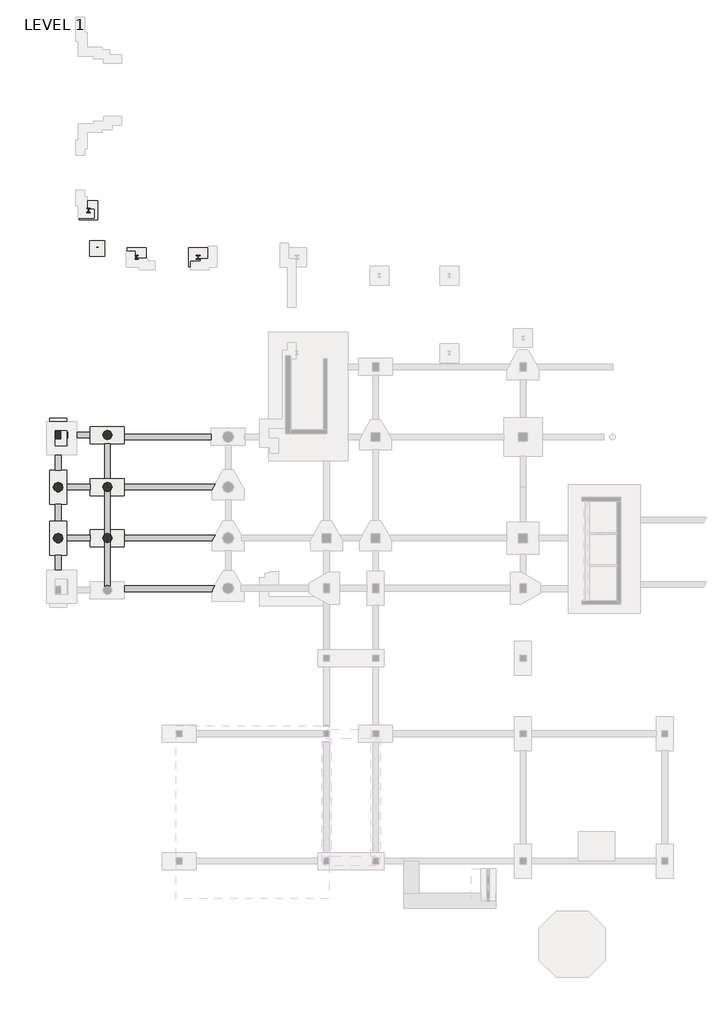
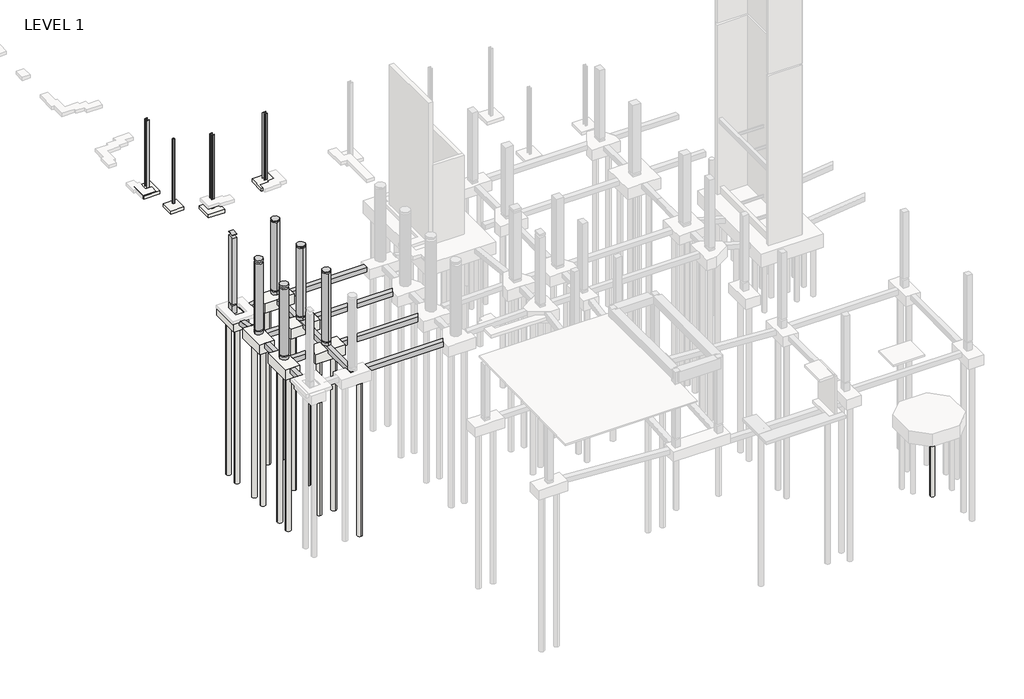
# One storey, part 4 of 20: 24 slabs, 13 beams, 10 columns.
"""IFC4 building model written with IfcOpenShell, lengths in millimetres."""

from ifc_helpers import new_model, si_unit, point, frame, frame_2d, origin, origin_with_axes, place, context, project, spatial, polyline, circle_curve, trimmed, segment, composite_curve, outline, extrude, faceted_brep, element, save

model = new_model("IFC4")

# Units and contexts
model_context = context("Model", 3, world=origin())
ifc_project = project(units=[si_unit("LENGTHUNIT", "METRE", prefix="MILLI")], contexts=[model_context])

# Site, building, storey
site = spatial("IfcSite", under=ifc_project)
building = spatial("IfcBuilding", under=site)
storey = spatial("IfcBuildingStorey", under=building, Name="LEVEL 1", Elevation=0.0)

# Beams
placement = place(None, origin())
element("IfcBeam", 1, ObjectType="Concrete-Rectangular Beam", at=placement, inside=storey, context=model_context, shape_type="SweptSolid", body=[
    extrude(outline(polyline([(-7432.1610058, -33754.6520275), (-7432.1610058, -33297.4520275), (-141.4889647, -33297.4520275), (-345.5610058, -33651.3894738), (-345.5610058, -33754.6520275), (-7432.1610058, -33754.6520275)])), frame((0.0, 0.0, -1066.8), z_axis=(0.0, 0.0, 1.0), x_axis=(1.0, 0.0, 0.0)), (0.0, 0.0, 1.0), 457.2),
])
element("IfcBeam", 2, ObjectType="Concrete-Rectangular Beam", at=placement, inside=storey, context=model_context, shape_type="Brep", body=[
    faceted_brep([(-8575.1610058, -29215.3107149, -406.4), (-9032.3610058, -29215.3107149, -406.4), (-9032.3610058, -33754.6520275, -406.4), (-8575.1610058, -33754.6520275, -406.4), (-8575.1610058, -33754.6520275, -609.6), (-8575.1610058, -32949.1107149, -609.6), (-8575.1610058, -32949.1107149, -863.6), (-8575.1610058, -30129.6962158, -863.6), (-8575.1610058, -30129.6962158, -609.6), (-8575.1610058, -29672.5107149, -609.6), (-8575.1610058, -29215.3107149, -609.6), (-9032.3610058, -32949.1107149, -863.6), (-9032.3610058, -30129.6962158, -863.6), (-9032.3610058, -32949.1107149, -609.6), (-9032.3610058, -33754.6520275, -609.6), (-9032.3610058, -29215.3107149, -609.6), (-9032.3610058, -29672.5107149, -609.6), (-9032.3610058, -30129.6962158, -609.6)], [[[0, 1, 2, 3]], [[4, 5, 6, 7, 8, 9, 10, 0, 3]], [[6, 11, 12, 7]], [[13, 14, 2, 1, 15, 16, 17, 12, 11]], [[5, 4, 14, 13]], [[6, 5, 13, 11]], [[1, 0, 10, 15]], [[3, 2, 14, 4]], [[15, 10, 9, 8, 17, 16]], [[8, 7, 12, 17]]]),
])
element("IfcBeam", 3, ObjectType="Concrete-Rectangular Beam", at=placement, inside=storey, context=model_context, shape_type="SweptSolid", body=[
    extrude(outline(polyline([(-30823.2629341, -609.6), (-30823.2629341, -1066.8), (-32263.3107149, -1066.8), (-32263.3107149, -914.4), (-32047.3810305, -914.4), (-32047.3810305, -609.6), (-30823.2629341, -609.6)])), frame((-12994.7610058, 0.0, 0.0), z_axis=(1.0, 0.0, 0.0), x_axis=(0.0, 1.0, 0.0)), (0.0, 0.0, 1.0), 457.2),
])
element("IfcBeam", 4, ObjectType="Concrete-Rectangular Beam", at=placement, inside=storey, context=model_context, shape_type="SweptSolid", body=[
    extrude(outline(polyline([(-12080.3610058, -29672.5107149), (-12080.3610058, -29215.3107149), (-10175.3610058, -29215.3107149), (-10175.3610058, -29672.5107149), (-12080.3610058, -29672.5107149)])), frame((0.0, 0.0, -1066.8), z_axis=(0.0, 0.0, 1.0), x_axis=(1.0, 0.0, 0.0)), (0.0, 0.0, 1.0), 457.2),
])
element("IfcBeam", 5, ObjectType="Concrete-Rectangular Beam", at=placement, inside=storey, context=model_context, shape_type="Brep", body=[
    faceted_brep([(-8803.7610058, -25100.5107149, -406.4), (-9032.3610058, -25100.5107149, -406.4), (-9032.3610058, -29215.3107149, -406.4), (-8575.1610058, -29215.3107149, -406.4), (-8575.1610058, -25098.1178066, -406.4), (-8803.7610058, -25098.1178066, -406.4), (-8575.1610058, -26014.8962939, -863.6), (-8575.1610058, -26014.8962939, -609.6), (-8575.1610058, -25557.7107149, -609.6), (-8575.1610058, -25100.5107149, -609.6), (-8575.1610058, -25098.1178066, -609.6), (-8575.1610058, -29215.3107149, -609.6), (-8575.1610058, -28758.0962158, -609.6), (-8575.1610058, -28758.0962158, -863.6), (-9032.3610058, -28758.0962158, -863.6), (-9032.3610058, -26014.8962939, -863.6), (-9032.3610058, -28758.0962158, -609.6), (-9032.3610058, -29215.3107149, -609.6), (-9032.3610058, -25100.5107149, -609.6), (-9032.3610058, -25557.7107149, -609.6), (-9032.3610058, -26014.8962939, -609.6), (-8803.7610058, -25098.1178066, -609.6), (-8803.7610058, -25100.5107149, -609.6)], [[[0, 1, 2, 3, 4, 5]], [[6, 7, 8, 9, 10, 4, 3, 11, 12, 13]], [[13, 14, 15, 6]], [[14, 16, 17, 2, 1, 18, 19, 20, 15]], [[5, 4, 10, 21]], [[1, 0, 22, 18]], [[18, 22, 21, 10, 9, 8, 7, 20, 19]], [[7, 6, 15, 20]], [[16, 12, 11, 17]], [[13, 12, 16, 14]], [[0, 5, 21, 22]], [[3, 2, 17, 11]]]),
])
element("IfcBeam", 6, ObjectType="Concrete-Rectangular Beam", at=placement, inside=storey, context=model_context, shape_type="SweptSolid", body=[
    extrude(outline(polyline([(-12537.5610058, -28072.2962158), (-12994.7610058, -28072.2962158), (-12994.7610058, -26700.6962939), (-12537.5610058, -26700.6962939), (-12537.5610058, -28072.2962158)])), frame((0.0, 0.0, -1066.8), z_axis=(0.0, 0.0, 1.0), x_axis=(1.0, 0.0, 0.0)), (0.0, 0.0, 1.0), 457.2),
])
element("IfcBeam", 7, ObjectType="Concrete-Rectangular Beam", at=placement, inside=storey, context=model_context, shape_type="SweptSolid", body=[
    extrude(outline(polyline([(-12080.3610058, -25557.7107149), (-12080.3610058, -25100.5107149), (-10175.3610058, -25100.5107149), (-10175.3610058, -25557.7107149), (-12080.3610058, -25557.7107149)])), frame((0.0, 0.0, -1066.8), z_axis=(0.0, 0.0, 1.0), x_axis=(1.0, 0.0, 0.0)), (0.0, 0.0, 1.0), 457.2),
])
element("IfcBeam", 8, ObjectType="Concrete-Rectangular Beam", at=placement, inside=storey, context=model_context, shape_type="SweptSolid", body=[
    extrude(outline(polyline([(-23957.4962939, -1074.6112108), (-23957.4962939, -609.6026766), (-22725.6403994, -838.2430976), (-22725.6403994, -914.4), (-22509.7107149, -914.4), (-22509.7107149, -1343.3295778), (-23957.4962939, -1074.6112108)])), frame((-12994.7610058, 0.0, 0.0), z_axis=(1.0, 0.0, 0.0), x_axis=(0.0, 1.0, 0.0)), (0.0, 0.0, 1.0), 457.2),
])
element("IfcBeam", 9, ObjectType="Concrete-Rectangular Beam", at=placement, inside=storey, context=model_context, shape_type="SweptSolid", body=[
    extrude(outline(polyline([(-1076.5369349, -10175.3610058), (-613.2681989, -10175.3610058), (-791.8139805, -11267.5610058), (-914.4, -11267.5610058), (-914.4, -11978.7610058), (-908.07635, -11978.7610058), (-924.6852599, -12080.3610058), (-1387.9539959, -12080.3610058), (-1076.5369349, -10175.3610058)])), frame((0.0, -21366.7107149, 0.0), z_axis=(0.0, 1.0, 0.0), x_axis=(0.0, 0.0, 1.0)), (0.0, 0.0, 1.0), 457.2),
])
element("IfcBeam", 10, ObjectType="Concrete-Rectangular Beam", at=placement, inside=storey, context=model_context, shape_type="SweptSolid", body=[
    extrude(outline(polyline([(-9032.3610058, -21823.9107149), (-8575.1610058, -21823.9107149), (-8575.1610058, -24643.2962939), (-9032.3610058, -24643.2962939), (-9032.3610058, -21823.9107149)])), frame((0.0, 0.0, -1066.8), z_axis=(0.0, 0.0, 1.0), x_axis=(1.0, 0.0, 0.0)), (0.0, 0.0, 1.0), 457.2),
])
element("IfcBeam", 11, ObjectType="Concrete-Rectangular Beam", at=placement, inside=storey, context=model_context, shape_type="SweptSolid", body=[
    extrude(outline(polyline([(-7432.1610058, -21519.1107149), (-7432.1610058, -21061.9107149), (-421.7610058, -21061.9107149), (-421.7610058, -21519.1107149), (-7432.1610058, -21519.1107149)])), frame((0.0, 0.0, -1066.8), z_axis=(0.0, 0.0, 1.0), x_axis=(1.0, 0.0, 0.0)), (0.0, 0.0, 1.0), 457.2),
])
element("IfcBeam", 12, ObjectType="Concrete-Rectangular Beam", at=placement, inside=storey, context=model_context, shape_type="SweptSolid", body=[
    extrude(outline(polyline([(-7432.1610058, -25557.7107149), (-7432.1610058, -25100.5107149), (-116.3923787, -25100.5107149), (-345.5610058, -25497.9750527), (-345.5610058, -25557.7107149), (-7432.1610058, -25557.7107149)])), frame((0.0, 0.0, -1066.8), z_axis=(0.0, 0.0, 1.0), x_axis=(1.0, 0.0, 0.0)), (0.0, 0.0, 1.0), 457.2),
])
element("IfcBeam", 13, ObjectType="Concrete-Rectangular Beam", at=placement, inside=storey, context=model_context, shape_type="SweptSolid", body=[
    extrude(outline(polyline([(-7432.1610058, -29672.5107149), (-7432.1610058, -29215.3107149), (-116.3924237, -29215.3107149), (-345.5610058, -29612.7749746), (-345.5610058, -29672.5107149), (-7432.1610058, -29672.5107149)])), frame((0.0, 0.0, -1066.8), z_axis=(0.0, 0.0, 1.0), x_axis=(1.0, 0.0, 0.0)), (0.0, 0.0, 1.0), 457.2),
])

# Columns
element("IfcColumn", 14, ObjectType="UC Concrete-Rectangular-Column : 16 x 24", at=placement, inside=storey, context=model_context, shape_type="Brep", body=[
    faceted_brep([(-12562.9610058, -20833.3107149, -914.4), (-12562.9610058, -21442.9107149, -914.4), (-12969.3610058, -21442.9107149, -914.4), (-12969.3610058, -20833.3107149, -914.4), (-12562.9610058, -21442.9107149, -127.0), (-12562.9610058, -20833.3107149, -127.0), (-12969.3610058, -20833.3107149, -127.0), (-12969.3610058, -21442.9107149, -127.0)], [[[0, 1, 2, 3]], [[4, 5, 6, 7]], [[1, 0, 5, 4]], [[2, 1, 4, 7]], [[3, 2, 7, 6]], [[0, 3, 6, 5]]]),
    faceted_brep([(-12562.9610058, -20833.3107149, 6908.8), (-12562.9610058, -21442.9107149, 6908.8), (-12562.9610058, -21442.9107149, 6858.0), (-12562.9610058, -20833.3107149, 6858.0), (-12969.3610058, -21442.9107149, 6908.8), (-12969.3610058, -21442.9107149, 6858.0), (-12969.3610058, -20833.3107149, 6908.8), (-12969.3610058, -20833.3107149, 6858.0), (-12969.3610058, -21239.7403994, 6858.0)], [[[0, 1, 2, 3]], [[1, 4, 5, 2]], [[4, 6, 7, 8, 5]], [[6, 0, 3, 7]], [[1, 0, 6, 4]], [[3, 2, 5, 8, 7]]]),
    faceted_brep([(-12562.9610058, -20833.3107149, 0.0), (-12562.9610058, -21442.9107149, 0.0), (-12969.3610058, -21442.9107149, 0.0), (-12969.3610058, -20833.3107149, 0.0), (-12562.9610058, -21442.9107149, 6553.2), (-12562.9610058, -20833.3107149, 6553.2), (-12969.3610058, -20833.3107149, 6553.2), (-12969.3610058, -21239.7403994, 6553.2), (-12969.3610058, -21442.9107149, 6553.2)], [[[0, 1, 2, 3]], [[4, 5, 6, 7, 8]], [[1, 0, 5, 4]], [[2, 1, 4, 8]], [[3, 2, 8, 7, 6]], [[0, 3, 6, 5]]]),
])
element("IfcColumn", 15, ObjectType="UC Concrete-Round-Column : 30\" DIA.", at=placement, inside=storey, context=model_context, shape_type="SweptSolid", body=[
    extrude(outline(composite_curve([segment(trimmed(circle_curve(frame_2d((-8803.7610058, -21138.1107149)), 381.0), [point((-8803.7610058, -20757.1107149))], [point((-8803.7610058, -21519.1107149))], False, "CARTESIAN"), True, "CONTINUOUS"), segment(trimmed(circle_curve(frame_2d((-8803.7610058, -21138.1107149)), 381.0), [point((-8803.7610058, -21519.1107149))], [point((-8803.7610058, -20757.1107149))], False, "CARTESIAN"), True, "CONTINUOUS")], self_intersect=False)), frame((0.0, 0.0, -406.4), z_axis=(0.0, 0.0, 1.0), x_axis=(1.0, 0.0, 0.0)), (0.0, 0.0, 1.0), 279.4),
    extrude(outline(composite_curve([segment(trimmed(circle_curve(frame_2d((-8803.7610058, -21138.1107149)), 381.0), [point((-8803.7610058, -20757.1107149))], [point((-8803.7610058, -21519.1107149))], False, "CARTESIAN"), True, "CONTINUOUS"), segment(trimmed(circle_curve(frame_2d((-8803.7610058, -21138.1107149)), 381.0), [point((-8803.7610058, -21519.1107149))], [point((-8803.7610058, -20757.1107149))], False, "CARTESIAN"), True, "CONTINUOUS")], self_intersect=False)), frame((0.0, 0.0, 6858.0), z_axis=(0.0, 0.0, 1.0), x_axis=(1.0, 0.0, 0.0)), (0.0, 0.0, 1.0), 50.8),
    extrude(outline(composite_curve([segment(trimmed(circle_curve(frame_2d((-8803.7610058, -21138.1107149)), 381.0), [point((-8803.7610058, -20757.1107149))], [point((-8803.7610058, -21519.1107149))], False, "CARTESIAN"), True, "CONTINUOUS"), segment(trimmed(circle_curve(frame_2d((-8803.7610058, -21138.1107149)), 381.0), [point((-8803.7610058, -21519.1107149))], [point((-8803.7610058, -20757.1107149))], False, "CARTESIAN"), True, "CONTINUOUS")], self_intersect=False)), origin_with_axes(), (0.0, 0.0, 1.0), 6731.0),
])
element("IfcColumn", 16, ObjectType="UC Concrete-Round-Column : 30\" DIA.", at=placement, inside=storey, context=model_context, shape_type="SweptSolid", body=[
    extrude(outline(composite_curve([segment(trimmed(circle_curve(frame_2d((-8803.7610058, -25329.1107149)), 381.0), [point((-8803.7610058, -24948.1107149))], [point((-8803.7610058, -25710.1107149))], False, "CARTESIAN"), True, "CONTINUOUS"), segment(trimmed(circle_curve(frame_2d((-8803.7610058, -25329.1107149)), 381.0), [point((-8803.7610058, -25710.1107149))], [point((-8803.7610058, -24948.1107149))], False, "CARTESIAN"), True, "CONTINUOUS")], self_intersect=False)), frame((0.0, 0.0, -406.4), z_axis=(0.0, 0.0, 1.0), x_axis=(1.0, 0.0, 0.0)), (0.0, 0.0, 1.0), 279.4),
    extrude(outline(composite_curve([segment(trimmed(circle_curve(frame_2d((-8803.7610058, -25329.1107149)), 381.0), [point((-8803.7610058, -24948.1107149))], [point((-8803.7610058, -25710.1107149))], False, "CARTESIAN"), True, "CONTINUOUS"), segment(trimmed(circle_curve(frame_2d((-8803.7610058, -25329.1107149)), 381.0), [point((-8803.7610058, -25710.1107149))], [point((-8803.7610058, -24948.1107149))], False, "CARTESIAN"), True, "CONTINUOUS")], self_intersect=False)), frame((0.0, 0.0, 6858.0), z_axis=(0.0, 0.0, 1.0), x_axis=(1.0, 0.0, 0.0)), (0.0, 0.0, 1.0), 50.8),
    extrude(outline(composite_curve([segment(trimmed(circle_curve(frame_2d((-8803.7610058, -25329.1107149)), 381.0), [point((-8803.7610058, -24948.1107149))], [point((-8803.7610058, -25710.1107149))], False, "CARTESIAN"), True, "CONTINUOUS"), segment(trimmed(circle_curve(frame_2d((-8803.7610058, -25329.1107149)), 381.0), [point((-8803.7610058, -25710.1107149))], [point((-8803.7610058, -24948.1107149))], False, "CARTESIAN"), True, "CONTINUOUS")], self_intersect=False)), origin_with_axes(), (0.0, 0.0, 1.0), 6731.0),
])
element("IfcColumn", 17, ObjectType="UC Concrete-Round-Column : 30\" DIA.", at=placement, inside=storey, context=model_context, shape_type="SweptSolid", body=[
    extrude(outline(composite_curve([segment(trimmed(circle_curve(frame_2d((-8803.7610058, -29443.9107149)), 381.0), [point((-8803.7610058, -29062.9107149))], [point((-8803.7610058, -29824.9107149))], False, "CARTESIAN"), True, "CONTINUOUS"), segment(trimmed(circle_curve(frame_2d((-8803.7610058, -29443.9107149)), 381.0), [point((-8803.7610058, -29824.9107149))], [point((-8803.7610058, -29062.9107149))], False, "CARTESIAN"), True, "CONTINUOUS")], self_intersect=False)), frame((0.0, 0.0, -406.4), z_axis=(0.0, 0.0, 1.0), x_axis=(1.0, 0.0, 0.0)), (0.0, 0.0, 1.0), 279.4),
    extrude(outline(composite_curve([segment(trimmed(circle_curve(frame_2d((-8803.7610058, -29443.9107149)), 381.0), [point((-8803.7610058, -29062.9107149))], [point((-8803.7610058, -29824.9107149))], False, "CARTESIAN"), True, "CONTINUOUS"), segment(trimmed(circle_curve(frame_2d((-8803.7610058, -29443.9107149)), 381.0), [point((-8803.7610058, -29824.9107149))], [point((-8803.7610058, -29062.9107149))], False, "CARTESIAN"), True, "CONTINUOUS")], self_intersect=False)), frame((0.0, 0.0, 6858.0), z_axis=(0.0, 0.0, 1.0), x_axis=(1.0, 0.0, 0.0)), (0.0, 0.0, 1.0), 50.8),
    extrude(outline(composite_curve([segment(trimmed(circle_curve(frame_2d((-8803.7610058, -29443.9107149)), 381.0), [point((-8803.7610058, -29062.9107149))], [point((-8803.7610058, -29824.9107149))], False, "CARTESIAN"), True, "CONTINUOUS"), segment(trimmed(circle_curve(frame_2d((-8803.7610058, -29443.9107149)), 381.0), [point((-8803.7610058, -29824.9107149))], [point((-8803.7610058, -29062.9107149))], False, "CARTESIAN"), True, "CONTINUOUS")], self_intersect=False)), origin_with_axes(), (0.0, 0.0, 1.0), 6731.0),
])
element("IfcColumn", 18, ObjectType="UC Concrete-Round-Column : 30\" DIA.", at=placement, inside=storey, context=model_context, shape_type="SweptSolid", body=[
    extrude(outline(composite_curve([segment(trimmed(circle_curve(frame_2d((-12766.1610058, -29443.9107149)), 381.0), [point((-12385.1610058, -29443.9107149))], [point((-13147.1610058, -29443.9107149))], False, "CARTESIAN"), True, "CONTINUOUS"), segment(trimmed(circle_curve(frame_2d((-12766.1610058, -29443.9107149)), 381.0), [point((-13147.1610058, -29443.9107149))], [point((-12385.1610058, -29443.9107149))], False, "CARTESIAN"), True, "CONTINUOUS")], self_intersect=False)), frame((0.0, 0.0, -406.4), z_axis=(0.0, 0.0, 1.0), x_axis=(1.0, 0.0, 0.0)), (0.0, 0.0, 1.0), 279.4),
    extrude(outline(composite_curve([segment(trimmed(circle_curve(frame_2d((-12766.1610058, -29443.9107149)), 381.0), [point((-12385.1610058, -29443.9107149))], [point((-13147.1610058, -29443.9107149))], False, "CARTESIAN"), True, "CONTINUOUS"), segment(trimmed(circle_curve(frame_2d((-12766.1610058, -29443.9107149)), 381.0), [point((-13147.1610058, -29443.9107149))], [point((-12385.1610058, -29443.9107149))], False, "CARTESIAN"), True, "CONTINUOUS")], self_intersect=False)), frame((0.0, 0.0, 6731.0), z_axis=(0.0, 0.0, 1.0), x_axis=(1.0, 0.0, 0.0)), (0.0, 0.0, 1.0), 177.8),
    extrude(outline(composite_curve([segment(trimmed(circle_curve(frame_2d((-12766.1610058, -29443.9107149)), 381.0), [point((-12385.1610058, -29443.9107149))], [point((-13147.1610058, -29443.9107149))], False, "CARTESIAN"), True, "CONTINUOUS"), segment(trimmed(circle_curve(frame_2d((-12766.1610058, -29443.9107149)), 381.0), [point((-13147.1610058, -29443.9107149))], [point((-12385.1610058, -29443.9107149))], False, "CARTESIAN"), True, "CONTINUOUS")], self_intersect=False)), origin_with_axes(), (0.0, 0.0, 1.0), 6553.2),
])
element("IfcColumn", 19, ObjectType="UC Concrete-Round-Column : 30\" DIA.", at=placement, inside=storey, context=model_context, shape_type="SweptSolid", body=[
    extrude(outline(composite_curve([segment(trimmed(circle_curve(frame_2d((-12766.1610058, -25329.1107149)), 381.0), [point((-12385.1610058, -25329.1107149))], [point((-13147.1610058, -25329.1107149))], False, "CARTESIAN"), True, "CONTINUOUS"), segment(trimmed(circle_curve(frame_2d((-12766.1610058, -25329.1107149)), 381.0), [point((-13147.1610058, -25329.1107149))], [point((-12385.1610058, -25329.1107149))], False, "CARTESIAN"), True, "CONTINUOUS")], self_intersect=False)), frame((0.0, 0.0, -406.4), z_axis=(0.0, 0.0, 1.0), x_axis=(1.0, 0.0, 0.0)), (0.0, 0.0, 1.0), 279.4),
    extrude(outline(composite_curve([segment(trimmed(circle_curve(frame_2d((-12766.1610058, -25329.1107149)), 381.0), [point((-12385.1610058, -25329.1107149))], [point((-13147.1610058, -25329.1107149))], False, "CARTESIAN"), True, "CONTINUOUS"), segment(trimmed(circle_curve(frame_2d((-12766.1610058, -25329.1107149)), 381.0), [point((-13147.1610058, -25329.1107149))], [point((-12385.1610058, -25329.1107149))], False, "CARTESIAN"), True, "CONTINUOUS")], self_intersect=False)), frame((0.0, 0.0, 6731.0), z_axis=(0.0, 0.0, 1.0), x_axis=(1.0, 0.0, 0.0)), (0.0, 0.0, 1.0), 177.8),
    extrude(outline(composite_curve([segment(trimmed(circle_curve(frame_2d((-12766.1610058, -25329.1107149)), 381.0), [point((-12385.1610058, -25329.1107149))], [point((-13147.1610058, -25329.1107149))], False, "CARTESIAN"), True, "CONTINUOUS"), segment(trimmed(circle_curve(frame_2d((-12766.1610058, -25329.1107149)), 381.0), [point((-13147.1610058, -25329.1107149))], [point((-12385.1610058, -25329.1107149))], False, "CARTESIAN"), True, "CONTINUOUS")], self_intersect=False)), origin_with_axes(), (0.0, 0.0, 1.0), 6553.2),
])
element("IfcColumn", 20, ObjectType="UC HSS-Hollow Structural Section-Column : HSS6x6x3/8", at=placement, inside=storey, context=model_context, shape_type="SweptSolid", body=[
    extrude(outline(composite_curve([segment(trimmed(circle_curve(frame_2d((-9675.0318058, -6042.8399149)), 17.7292), [point((-9692.7610058, -6042.8399149))], [point((-9675.0318058, -6025.1107149))], False, "CARTESIAN"), True, "CONTINUOUS"), segment(polyline([(-9675.0318058, -6025.1107149), (-9558.0902058, -6025.1107149)]), True, "CONTINUOUS"), segment(trimmed(circle_curve(frame_2d((-9558.0902058, -6042.8399149)), 17.7292), [point((-9558.0902058, -6025.1107149))], [point((-9540.3610058, -6042.8399149))], False, "CARTESIAN"), True, "CONTINUOUS"), segment(polyline([(-9540.3610058, -6042.8399149), (-9540.3610058, -6159.7815149)]), True, "CONTINUOUS"), segment(trimmed(circle_curve(frame_2d((-9558.0902058, -6159.7815149)), 17.7292), [point((-9540.3610058, -6159.7815149))], [point((-9558.0902058, -6177.5107149))], False, "CARTESIAN"), True, "CONTINUOUS"), segment(polyline([(-9558.0902058, -6177.5107149), (-9675.0318058, -6177.5107149)]), True, "CONTINUOUS"), segment(trimmed(circle_curve(frame_2d((-9675.0318058, -6159.7815149)), 17.7292), [point((-9675.0318058, -6177.5107149))], [point((-9692.7610058, -6159.7815149))], False, "CARTESIAN"), True, "CONTINUOUS"), segment(polyline([(-9692.7610058, -6159.7815149), (-9692.7610058, -6042.8399149)]), True, "CONTINUOUS")], self_intersect=False), holes=[composite_curve([segment(polyline([(-9683.8964058, -6042.8399149), (-9683.8964058, -6159.7815149)]), True, "CONTINUOUS"), segment(trimmed(circle_curve(frame_2d((-9675.0318058, -6159.7815149)), 8.8646), [point((-9683.8964058, -6159.7815149))], [point((-9675.0318058, -6168.6461149))], True, "CARTESIAN"), True, "CONTINUOUS"), segment(polyline([(-9675.0318058, -6168.6461149), (-9558.0902058, -6168.6461149)]), True, "CONTINUOUS"), segment(trimmed(circle_curve(frame_2d((-9558.0902058, -6159.7815149)), 8.8646), [point((-9558.0902058, -6168.6461149))], [point((-9549.2256058, -6159.7815149))], True, "CARTESIAN"), True, "CONTINUOUS"), segment(polyline([(-9549.2256058, -6159.7815149), (-9549.2256058, -6042.8399149)]), True, "CONTINUOUS"), segment(trimmed(circle_curve(frame_2d((-9558.0902058, -6042.8399149)), 8.8646), [point((-9549.2256058, -6042.8399149))], [point((-9558.0902058, -6033.9753149))], True, "CARTESIAN"), True, "CONTINUOUS"), segment(polyline([(-9558.0902058, -6033.9753149), (-9675.0318058, -6033.9753149)]), True, "CONTINUOUS"), segment(trimmed(circle_curve(frame_2d((-9675.0318058, -6042.8399149)), 8.8646), [point((-9675.0318058, -6033.9753149))], [point((-9683.8964058, -6042.8399149))], True, "CARTESIAN"), True, "CONTINUOUS")], self_intersect=False)]), frame((0.0, 0.0, -406.4), z_axis=(0.0, 0.0, 1.0), x_axis=(1.0, 0.0, 0.0)), (0.0, 0.0, 1.0), 6359.0081304),
    extrude(outline(composite_curve([segment(trimmed(circle_curve(frame_2d((-9675.1000683, -6159.8497774)), 17.6609375), [point((-9675.1000683, -6177.5107149))], [point((-9692.7610058, -6159.8497774))], False, "CARTESIAN"), True, "CONTINUOUS"), segment(polyline([(-9692.7610058, -6159.8497774), (-9692.7610058, -6042.7716524)]), True, "CONTINUOUS"), segment(trimmed(circle_curve(frame_2d((-9675.1000683, -6042.7716524)), 17.6609375), [point((-9692.7610058, -6042.7716524))], [point((-9675.1000683, -6025.1107149))], False, "CARTESIAN"), True, "CONTINUOUS"), segment(polyline([(-9675.1000683, -6025.1107149), (-9558.0219433, -6025.1107149)]), True, "CONTINUOUS"), segment(trimmed(circle_curve(frame_2d((-9558.0219433, -6042.7716524)), 17.6609375), [point((-9558.0219433, -6025.1107149))], [point((-9540.3610058, -6042.7716524))], False, "CARTESIAN"), True, "CONTINUOUS"), segment(polyline([(-9540.3610058, -6042.7716524), (-9540.3610058, -6159.8497774)]), True, "CONTINUOUS"), segment(trimmed(circle_curve(frame_2d((-9558.0219433, -6159.8497774)), 17.6609375), [point((-9540.3610058, -6159.8497774))], [point((-9558.0219433, -6177.5107149))], False, "CARTESIAN"), True, "CONTINUOUS"), segment(polyline([(-9558.0219433, -6177.5107149), (-9675.1000683, -6177.5107149)]), True, "CONTINUOUS")], self_intersect=False)), frame((0.0, 0.0, 5952.6081304), z_axis=(0.0, 0.0, 1.0), x_axis=(1.0, 0.0, 0.0)), (0.0, 0.0, 1.0), 6.35),
])
element("IfcColumn", 21, ObjectType="W12x53", at=placement, inside=storey, context=model_context, shape_type="SweptSolid", body=[
    extrude(outline(composite_curve([segment(polyline([(-6568.5610058, -6966.1959393), (-6568.5610058, -6951.5909393), (-6466.2625058, -6951.5909393)]), True, "CONTINUOUS"), segment(trimmed(circle_curve(frame_2d((-6466.2625058, -6931.2709393)), 20.32), [point((-6466.2625058, -6951.5909393))], [point((-6445.9425058, -6931.2709393))], True, "CARTESIAN"), True, "CONTINUOUS"), segment(polyline([(-6445.9425058, -6931.2709393), (-6445.9425058, -6693.7809393)]), True, "CONTINUOUS"), segment(trimmed(circle_curve(frame_2d((-6466.2625058, -6693.7809393)), 20.32), [point((-6445.9425058, -6693.7809393))], [point((-6466.2625058, -6673.4609393))], True, "CARTESIAN"), True, "CONTINUOUS"), segment(polyline([(-6466.2625058, -6673.4609393), (-6568.5610058, -6673.4609393), (-6568.5610058, -6658.8559393), (-6314.5610058, -6658.8559393), (-6314.5610058, -6673.4609393), (-6416.8595058, -6673.4609393)]), True, "CONTINUOUS"), segment(trimmed(circle_curve(frame_2d((-6416.8595058, -6693.7809393)), 20.32), [point((-6416.8595058, -6673.4609393))], [point((-6437.1795058, -6693.7809393))], True, "CARTESIAN"), True, "CONTINUOUS"), segment(polyline([(-6437.1795058, -6693.7809393), (-6437.1795058, -6931.2709393)]), True, "CONTINUOUS"), segment(trimmed(circle_curve(frame_2d((-6416.8595058, -6931.2709393)), 20.32), [point((-6437.1795058, -6931.2709393))], [point((-6416.8595058, -6951.5909393))], True, "CARTESIAN"), True, "CONTINUOUS"), segment(polyline([(-6416.8595058, -6951.5909393), (-6314.5610058, -6951.5909393), (-6314.5610058, -6966.1959393), (-6568.5610058, -6966.1959393)]), True, "CONTINUOUS")], self_intersect=False)), frame((0.0, 0.0, -1524.0), z_axis=(0.0, 0.0, 1.0), x_axis=(1.0, 0.0, 0.0)), (0.0, 0.0, 1.0), 7268.2477857),
])
element("IfcColumn", 22, ObjectType="W12x65", at=placement, inside=storey, context=model_context, shape_type="SweptSolid", body=[
    extrude(outline(composite_curve([segment(polyline([(-1640.9610058, -6966.1959393), (-1640.9610058, -6950.8289393), (-1516.2470058, -6950.8289393)]), True, "CONTINUOUS"), segment(trimmed(circle_curve(frame_2d((-1516.2470058, -6928.0959393)), 22.733), [point((-1516.2470058, -6950.8289393))], [point((-1493.5140058, -6928.0959393))], True, "CARTESIAN"), True, "CONTINUOUS"), segment(polyline([(-1493.5140058, -6928.0959393), (-1493.5140058, -6696.9559393)]), True, "CONTINUOUS"), segment(trimmed(circle_curve(frame_2d((-1516.2470058, -6696.9559393)), 22.733), [point((-1493.5140058, -6696.9559393))], [point((-1516.2470058, -6674.2229393))], True, "CARTESIAN"), True, "CONTINUOUS"), segment(polyline([(-1516.2470058, -6674.2229393), (-1640.9610058, -6674.2229393), (-1640.9610058, -6658.8559393), (-1336.1610058, -6658.8559393), (-1336.1610058, -6674.2229393), (-1460.8750058, -6674.2229393)]), True, "CONTINUOUS"), segment(trimmed(circle_curve(frame_2d((-1460.8750058, -6696.9559393)), 22.733), [point((-1460.8750058, -6674.2229393))], [point((-1483.6080058, -6696.9559393))], True, "CARTESIAN"), True, "CONTINUOUS"), segment(polyline([(-1483.6080058, -6696.9559393), (-1483.6080058, -6928.0959393)]), True, "CONTINUOUS"), segment(trimmed(circle_curve(frame_2d((-1460.8750058, -6928.0959393)), 22.733), [point((-1483.6080058, -6928.0959393))], [point((-1460.8750058, -6950.8289393))], True, "CARTESIAN"), True, "CONTINUOUS"), segment(polyline([(-1460.8750058, -6950.8289393), (-1336.1610058, -6950.8289393), (-1336.1610058, -6966.1959393), (-1640.9610058, -6966.1959393)]), True, "CONTINUOUS")], self_intersect=False)), frame((0.0, 0.0, -406.4), z_axis=(0.0, 0.0, 1.0), x_axis=(1.0, 0.0, 0.0)), (0.0, 0.0, 1.0), 6496.9507242),
])
element("IfcColumn", 23, ObjectType="W14x68", at=placement, inside=storey, context=model_context, shape_type="SweptSolid", body=[
    extrude(outline(composite_curve([segment(polyline([(-10200.7610058, -2850.1107149), (-10200.7610058, -2868.3987149), (-10301.0910058, -2868.3987149)]), True, "CONTINUOUS"), segment(trimmed(circle_curve(frame_2d((-10301.0910058, -2889.7982149)), 21.3995), [point((-10301.0910058, -2868.3987149))], [point((-10322.4905058, -2889.7982149))], True, "CARTESIAN"), True, "CONTINUOUS"), segment(polyline([(-10322.4905058, -2889.7982149), (-10322.4905058, -3166.0232149)]), True, "CONTINUOUS"), segment(trimmed(circle_curve(frame_2d((-10301.0910058, -3166.0232149)), 21.3995), [point((-10322.4905058, -3166.0232149))], [point((-10301.0910058, -3187.4227149))], True, "CARTESIAN"), True, "CONTINUOUS"), segment(polyline([(-10301.0910058, -3187.4227149), (-10200.7610058, -3187.4227149), (-10200.7610058, -3205.7107149), (-10454.7610058, -3205.7107149), (-10454.7610058, -3187.4227149), (-10354.4310058, -3187.4227149)]), True, "CONTINUOUS"), segment(trimmed(circle_curve(frame_2d((-10354.4310058, -3166.0232149)), 21.3995), [point((-10354.4310058, -3187.4227149))], [point((-10333.0315058, -3166.0232149))], True, "CARTESIAN"), True, "CONTINUOUS"), segment(polyline([(-10333.0315058, -3166.0232149), (-10333.0315058, -2889.7982149)]), True, "CONTINUOUS"), segment(trimmed(circle_curve(frame_2d((-10354.4310058, -2889.7982149)), 21.3995), [point((-10333.0315058, -2889.7982149))], [point((-10354.4310058, -2868.3987149))], True, "CARTESIAN"), True, "CONTINUOUS"), segment(polyline([(-10354.4310058, -2868.3987149), (-10454.7610058, -2868.3987149), (-10454.7610058, -2850.1107149), (-10200.7610058, -2850.1107149)]), True, "CONTINUOUS")], self_intersect=False)), frame((0.0, 0.0, -406.4), z_axis=(0.0, 0.0, 1.0), x_axis=(1.0, 0.0, 0.0)), (0.0, 0.0, 1.0), 6681.0897859),
])

# Slabs
element("IfcSlab", 24, ObjectType="16\" Diameter", at=placement, inside=storey, context=model_context, shape_type="SweptSolid", body=[
    extrude(outline(composite_curve([segment(trimmed(circle_curve(frame_2d((27772.2389942, -64241.9107149)), 203.2), [point((27569.0389942, -64241.9107149))], [point((27975.4389942, -64241.9107149))], False, "CARTESIAN"), True, "CONTINUOUS"), segment(trimmed(circle_curve(frame_2d((27772.2389942, -64241.9107149)), 203.2), [point((27975.4389942, -64241.9107149))], [point((27569.0389942, -64241.9107149))], False, "CARTESIAN"), True, "CONTINUOUS")], self_intersect=False)), frame((0.0, 0.0, -7162.8), z_axis=(0.0, 0.0, 1.0), x_axis=(1.0, 0.0, 0.0)), (0.0, 0.0, 1.0), 5334.0),
])
element("IfcSlab", 25, ObjectType="18\" Diameter", at=placement, inside=storey, context=model_context, shape_type="SweptSolid", body=[
    extrude(outline(composite_curve([segment(trimmed(circle_curve(frame_2d((-12766.1610058, -28758.0962158)), 228.6), [point((-12537.5610058, -28758.0962158))], [point((-12994.7610058, -28758.0962158))], False, "CARTESIAN"), True, "CONTINUOUS"), segment(trimmed(circle_curve(frame_2d((-12766.1610058, -28758.0962158)), 228.6), [point((-12994.7610058, -28758.0962158))], [point((-12537.5610058, -28758.0962158))], False, "CARTESIAN"), True, "CONTINUOUS")], self_intersect=False)), frame((0.0, 0.0, -17043.4), z_axis=(0.0, 0.0, 1.0), x_axis=(1.0, 0.0, 0.0)), (0.0, 0.0, 1.0), 15392.4),
])
element("IfcSlab", 26, ObjectType="18\" Diameter", at=placement, inside=storey, context=model_context, shape_type="SweptSolid", body=[
    extrude(outline(composite_curve([segment(trimmed(circle_curve(frame_2d((-12766.1610058, -30129.6962158)), 228.6), [point((-12537.5610058, -30129.6962158))], [point((-12994.7610058, -30129.6962158))], False, "CARTESIAN"), True, "CONTINUOUS"), segment(trimmed(circle_curve(frame_2d((-12766.1610058, -30129.6962158)), 228.6), [point((-12994.7610058, -30129.6962158))], [point((-12537.5610058, -30129.6962158))], False, "CARTESIAN"), True, "CONTINUOUS")], self_intersect=False)), frame((0.0, 0.0, -17043.4), z_axis=(0.0, 0.0, 1.0), x_axis=(1.0, 0.0, 0.0)), (0.0, 0.0, 1.0), 15392.4),
])
element("IfcSlab", 27, ObjectType="18\" Diameter", at=placement, inside=storey, context=model_context, shape_type="SweptSolid", body=[
    extrude(outline(composite_curve([segment(trimmed(circle_curve(frame_2d((-12766.1610058, -24643.2962939)), 228.6), [point((-12537.5610058, -24643.2962939))], [point((-12994.7610058, -24643.2962939))], False, "CARTESIAN"), True, "CONTINUOUS"), segment(trimmed(circle_curve(frame_2d((-12766.1610058, -24643.2962939)), 228.6), [point((-12994.7610058, -24643.2962939))], [point((-12537.5610058, -24643.2962939))], False, "CARTESIAN"), True, "CONTINUOUS")], self_intersect=False)), frame((0.0, 0.0, -17043.4), z_axis=(0.0, 0.0, 1.0), x_axis=(1.0, 0.0, 0.0)), (0.0, 0.0, 1.0), 15392.4),
])
element("IfcSlab", 28, ObjectType="18\" Diameter", at=placement, inside=storey, context=model_context, shape_type="SweptSolid", body=[
    extrude(outline(composite_curve([segment(trimmed(circle_curve(frame_2d((-12766.1610058, -26014.8962939)), 228.6), [point((-12537.5610058, -26014.8962939))], [point((-12994.7610058, -26014.8962939))], False, "CARTESIAN"), True, "CONTINUOUS"), segment(trimmed(circle_curve(frame_2d((-12766.1610058, -26014.8962939)), 228.6), [point((-12994.7610058, -26014.8962939))], [point((-12537.5610058, -26014.8962939))], False, "CARTESIAN"), True, "CONTINUOUS")], self_intersect=False)), frame((0.0, 0.0, -17043.4), z_axis=(0.0, 0.0, 1.0), x_axis=(1.0, 0.0, 0.0)), (0.0, 0.0, 1.0), 15392.4),
])
element("IfcSlab", 29, ObjectType="18\" Diameter", at=placement, inside=storey, context=model_context, shape_type="SweptSolid", body=[
    extrude(outline(composite_curve([segment(trimmed(circle_curve(frame_2d((-12766.1610058, -20452.3107149)), 228.6), [point((-12537.5610058, -20452.3107149))], [point((-12994.7610058, -20452.3107149))], False, "CARTESIAN"), True, "CONTINUOUS"), segment(trimmed(circle_curve(frame_2d((-12766.1610058, -20452.3107149)), 228.6), [point((-12994.7610058, -20452.3107149))], [point((-12537.5610058, -20452.3107149))], False, "CARTESIAN"), True, "CONTINUOUS")], self_intersect=False)), frame((0.0, 0.0, -17348.2), z_axis=(0.0, 0.0, 1.0), x_axis=(1.0, 0.0, 0.0)), (0.0, 0.0, 1.0), 15392.4),
])
element("IfcSlab", 30, ObjectType="18\" Diameter", at=placement, inside=storey, context=model_context, shape_type="SweptSolid", body=[
    extrude(outline(composite_curve([segment(trimmed(circle_curve(frame_2d((-12766.1610058, -21823.9107149)), 228.6), [point((-12537.5610058, -21823.9107149))], [point((-12994.7610058, -21823.9107149))], False, "CARTESIAN"), True, "CONTINUOUS"), segment(trimmed(circle_curve(frame_2d((-12766.1610058, -21823.9107149)), 228.6), [point((-12994.7610058, -21823.9107149))], [point((-12537.5610058, -21823.9107149))], False, "CARTESIAN"), True, "CONTINUOUS")], self_intersect=False)), frame((0.0, 0.0, -17348.2), z_axis=(0.0, 0.0, 1.0), x_axis=(1.0, 0.0, 0.0)), (0.0, 0.0, 1.0), 15392.4),
])
element("IfcSlab", 31, ObjectType="18\" Diameter", at=placement, inside=storey, context=model_context, shape_type="SweptSolid", body=[
    extrude(outline(composite_curve([segment(trimmed(circle_curve(frame_2d((-9489.5610058, -21138.1107149)), 228.6), [point((-9489.5610058, -20909.5107149))], [point((-9489.5610058, -21366.7107149))], False, "CARTESIAN"), True, "CONTINUOUS"), segment(trimmed(circle_curve(frame_2d((-9489.5610058, -21138.1107149)), 228.6), [point((-9489.5610058, -21366.7107149))], [point((-9489.5610058, -20909.5107149))], False, "CARTESIAN"), True, "CONTINUOUS")], self_intersect=False)), frame((0.0, 0.0, -17043.4), z_axis=(0.0, 0.0, 1.0), x_axis=(1.0, 0.0, 0.0)), (0.0, 0.0, 1.0), 15392.4),
])
element("IfcSlab", 32, ObjectType="18\" Diameter", at=placement, inside=storey, context=model_context, shape_type="SweptSolid", body=[
    extrude(outline(composite_curve([segment(trimmed(circle_curve(frame_2d((-8117.9610058, -21138.1107149)), 228.6), [point((-8117.9610058, -20909.5107149))], [point((-8117.9610058, -21366.7107149))], False, "CARTESIAN"), True, "CONTINUOUS"), segment(trimmed(circle_curve(frame_2d((-8117.9610058, -21138.1107149)), 228.6), [point((-8117.9610058, -21366.7107149))], [point((-8117.9610058, -20909.5107149))], False, "CARTESIAN"), True, "CONTINUOUS")], self_intersect=False)), frame((0.0, 0.0, -17043.4), z_axis=(0.0, 0.0, 1.0), x_axis=(1.0, 0.0, 0.0)), (0.0, 0.0, 1.0), 15392.4),
])
element("IfcSlab", 33, ObjectType="18\" Diameter", at=placement, inside=storey, context=model_context, shape_type="SweptSolid", body=[
    extrude(outline(composite_curve([segment(trimmed(circle_curve(frame_2d((-8117.9610058, -33634.9107149)), 228.6), [point((-8117.9610058, -33406.3107149))], [point((-8117.9610058, -33863.5107149))], False, "CARTESIAN"), True, "CONTINUOUS"), segment(trimmed(circle_curve(frame_2d((-8117.9610058, -33634.9107149)), 228.6), [point((-8117.9610058, -33863.5107149))], [point((-8117.9610058, -33406.3107149))], False, "CARTESIAN"), True, "CONTINUOUS")], self_intersect=False)), frame((0.0, 0.0, -17043.4), z_axis=(0.0, 0.0, 1.0), x_axis=(1.0, 0.0, 0.0)), (0.0, 0.0, 1.0), 15392.4),
])
element("IfcSlab", 34, ObjectType="18\" Diameter", at=placement, inside=storey, context=model_context, shape_type="SweptSolid", body=[
    extrude(outline(composite_curve([segment(trimmed(circle_curve(frame_2d((-8117.9610058, -29443.8962158)), 228.6), [point((-8117.9610058, -29672.4962158))], [point((-8117.9610058, -29215.2962158))], False, "CARTESIAN"), True, "CONTINUOUS"), segment(trimmed(circle_curve(frame_2d((-8117.9610058, -29443.8962158)), 228.6), [point((-8117.9610058, -29215.2962158))], [point((-8117.9610058, -29672.4962158))], False, "CARTESIAN"), True, "CONTINUOUS")], self_intersect=False)), frame((0.0, 0.0, -17043.4), z_axis=(0.0, 0.0, 1.0), x_axis=(1.0, 0.0, 0.0)), (0.0, 0.0, 1.0), 15392.4),
])
element("IfcSlab", 35, ObjectType="18\" Diameter", at=placement, inside=storey, context=model_context, shape_type="SweptSolid", body=[
    extrude(outline(composite_curve([segment(trimmed(circle_curve(frame_2d((-8117.9610058, -25329.0962939)), 228.6), [point((-8117.9610058, -25557.6962939))], [point((-8117.9610058, -25100.4962939))], False, "CARTESIAN"), True, "CONTINUOUS"), segment(trimmed(circle_curve(frame_2d((-8117.9610058, -25329.0962939)), 228.6), [point((-8117.9610058, -25100.4962939))], [point((-8117.9610058, -25557.6962939))], False, "CARTESIAN"), True, "CONTINUOUS")], self_intersect=False)), frame((0.0, 0.0, -17043.4), z_axis=(0.0, 0.0, 1.0), x_axis=(1.0, 0.0, 0.0)), (0.0, 0.0, 1.0), 15392.4),
])
element("IfcSlab", 36, ObjectType="18\" Diameter", at=placement, inside=storey, context=model_context, shape_type="SweptSolid", body=[
    extrude(outline(composite_curve([segment(trimmed(circle_curve(frame_2d((-9489.5610058, -25329.0962939)), 228.6), [point((-9489.5610058, -25557.6962939))], [point((-9489.5610058, -25100.4962939))], False, "CARTESIAN"), True, "CONTINUOUS"), segment(trimmed(circle_curve(frame_2d((-9489.5610058, -25329.0962939)), 228.6), [point((-9489.5610058, -25100.4962939))], [point((-9489.5610058, -25557.6962939))], False, "CARTESIAN"), True, "CONTINUOUS")], self_intersect=False)), frame((0.0, 0.0, -17043.4), z_axis=(0.0, 0.0, 1.0), x_axis=(1.0, 0.0, 0.0)), (0.0, 0.0, 1.0), 15392.4),
])
element("IfcSlab", 37, ObjectType="18\" Diameter", at=placement, inside=storey, context=model_context, shape_type="SweptSolid", body=[
    extrude(outline(composite_curve([segment(trimmed(circle_curve(frame_2d((-9489.5610058, -29443.8962158)), 228.6), [point((-9489.5610058, -29672.4962158))], [point((-9489.5610058, -29215.2962158))], False, "CARTESIAN"), True, "CONTINUOUS"), segment(trimmed(circle_curve(frame_2d((-9489.5610058, -29443.8962158)), 228.6), [point((-9489.5610058, -29215.2962158))], [point((-9489.5610058, -29672.4962158))], False, "CARTESIAN"), True, "CONTINUOUS")], self_intersect=False)), frame((0.0, 0.0, -17043.4), z_axis=(0.0, 0.0, 1.0), x_axis=(1.0, 0.0, 0.0)), (0.0, 0.0, 1.0), 15392.4),
])
element("IfcSlab", 38, ObjectType="UC Pile Cap-2 Pile : P2", at=placement, inside=storey, context=model_context, shape_type="Brep", body=[
    faceted_brep([(-12080.3610058, -28072.2962158, -609.6), (-12537.5610058, -28072.2962158, -609.6), (-12994.7610058, -28072.2962158, -609.6), (-13451.9610058, -28072.2962158, -609.6), (-13451.9610058, -30815.4962158, -609.6), (-12080.3610058, -30815.4962158, -609.6), (-12080.3610058, -29672.5107149, -609.6), (-12080.3610058, -29215.3107149, -609.6), (-12080.3610058, -28072.2962158, -1574.8), (-12080.3610058, -30815.4962158, -1574.8), (-13451.9610058, -30815.4962158, -1574.8), (-13451.9610058, -28072.2962158, -1574.8)], [[[0, 1, 2, 3, 4, 5, 6, 7]], [[8, 9, 10, 11]], [[3, 2, 1, 0, 8, 11]], [[4, 3, 11, 10]], [[5, 4, 10, 9]], [[0, 7, 6, 5, 9, 8]]]),
])
element("IfcSlab", 39, ObjectType="UC Pile Cap-2 Pile : P2", at=placement, inside=storey, context=model_context, shape_type="Brep", body=[
    faceted_brep([(-12080.3610058, -23957.4962939, -609.6), (-13451.9610058, -23957.4962939, -609.6), (-13451.9610058, -26700.6962939, -609.6), (-12994.7610058, -26700.6962939, -609.6), (-12537.5610058, -26700.6962939, -609.6), (-12080.3610058, -26700.6962939, -609.6), (-12080.3610058, -25557.7107149, -609.6), (-12080.3610058, -25100.5107149, -609.6), (-12080.3610058, -23957.4962939, -1574.8), (-12080.3610058, -26700.6962939, -1574.8), (-13451.9610058, -26700.6962939, -1574.8), (-13451.9610058, -23957.4962939, -1574.8)], [[[0, 1, 2, 3, 4, 5, 6, 7]], [[8, 9, 10, 11]], [[1, 0, 8, 11]], [[2, 1, 11, 10]], [[5, 4, 3, 2, 10, 9]], [[0, 7, 6, 5, 9, 8]]]),
])
element("IfcSlab", 40, ObjectType="UC Pile Cap-2 Pile : P2", at=placement, inside=storey, context=model_context, shape_type="Brep", body=[
    faceted_brep([(-12080.3610058, -19766.5107149, -914.4), (-13451.9610058, -19766.5107149, -914.4), (-13451.9610058, -22509.7107149, -914.4), (-12994.7610058, -22509.7107149, -914.4), (-12537.5610058, -22509.7107149, -914.4), (-12080.3610058, -22509.7107149, -914.4), (-12080.3610058, -19766.5107149, -1879.6), (-12080.3610058, -22509.7107149, -1879.6), (-13451.9610058, -22509.7107149, -1879.6), (-13451.9610058, -19766.5107149, -1879.6)], [[[0, 1, 2, 3, 4, 5]], [[6, 7, 8, 9]], [[1, 0, 6, 9]], [[2, 1, 9, 8]], [[5, 4, 3, 2, 8, 7]], [[0, 5, 7, 6]]]),
])
element("IfcSlab", 41, ObjectType="UC Pile Cap-2 Pile : P2", at=placement, inside=storey, context=model_context, shape_type="Brep", body=[
    faceted_brep([(-10175.3610058, -20452.3107149, -609.6), (-10175.3610058, -21823.9107149, -609.6), (-9032.3610058, -21823.9107149, -609.6), (-8575.1610058, -21823.9107149, -609.6), (-7432.1610058, -21823.9107149, -609.6), (-7432.1610058, -21519.1107149, -609.6), (-7432.1610058, -21061.9107149, -609.6), (-7432.1610058, -20452.3107149, -609.6), (-10175.3610058, -20452.3107149, -1574.8), (-7432.1610058, -20452.3107149, -1574.8), (-7432.1610058, -21823.9107149, -1574.8), (-10175.3610058, -21823.9107149, -1574.8)], [[[0, 1, 2, 3, 4, 5, 6, 7]], [[8, 9, 10, 11]], [[1, 0, 8, 11]], [[4, 3, 2, 1, 11, 10]], [[7, 6, 5, 4, 10, 9]], [[0, 7, 9, 8]]]),
])
element("IfcSlab", 42, ObjectType="UC Pile Cap-2 Pile : P2", at=placement, inside=storey, context=model_context, shape_type="Brep", body=[
    faceted_brep([(-7432.1610058, -30129.6962158, -609.6), (-7432.1610058, -29672.5107149, -609.6), (-7432.1610058, -29215.3107149, -609.6), (-7432.1610058, -28758.0962158, -609.6), (-8575.1610058, -28758.0962158, -609.6), (-9032.3610058, -28758.0962158, -609.6), (-10175.3610058, -28758.0962158, -609.6), (-10175.3610058, -29215.3107149, -609.6), (-10175.3610058, -29672.5107149, -609.6), (-10175.3610058, -30129.6962158, -609.6), (-9032.3610058, -30129.6962158, -609.6), (-8575.1610058, -30129.6962158, -609.6), (-7432.1610058, -30129.6962158, -1574.8), (-10175.3610058, -30129.6962158, -1574.8), (-10175.3610058, -28758.0962158, -1574.8), (-7432.1610058, -28758.0962158, -1574.8)], [[[0, 1, 2, 3, 4, 5, 6, 7, 8, 9, 10, 11]], [[12, 13, 14, 15]], [[3, 2, 1, 0, 12, 15]], [[6, 5, 4, 3, 15, 14]], [[9, 8, 7, 6, 14, 13]], [[0, 11, 10, 9, 13, 12]]]),
])
element("IfcSlab", 43, ObjectType="UC Pile Cap-2 Pile : P2", at=placement, inside=storey, context=model_context, shape_type="Brep", body=[
    faceted_brep([(-7432.1610058, -26014.8962939, -609.6), (-7432.1610058, -25557.7107149, -609.6), (-7432.1610058, -25100.5107149, -609.6), (-7432.1610058, -24643.2962939, -609.6), (-8575.1610058, -24643.2962939, -609.6), (-9032.3610058, -24643.2962939, -609.6), (-10175.3610058, -24643.2962939, -609.6), (-10175.3610058, -25100.5107149, -609.6), (-10175.3610058, -25557.7107149, -609.6), (-10175.3610058, -26014.8962939, -609.6), (-9032.3610058, -26014.8962939, -609.6), (-8575.1610058, -26014.8962939, -609.6), (-7432.1610058, -26014.8962939, -1574.8), (-10175.3610058, -26014.8962939, -1574.8), (-10175.3610058, -24643.2962939, -1574.8), (-7432.1610058, -24643.2962939, -1574.8)], [[[0, 1, 2, 3, 4, 5, 6, 7, 8, 9, 10, 11]], [[12, 13, 14, 15]], [[3, 2, 1, 0, 12, 15]], [[6, 5, 4, 3, 15, 14]], [[9, 8, 7, 6, 14, 13]], [[0, 11, 10, 9, 13, 12]]]),
])
element("IfcSlab", 44, ObjectType="UC Spread Footings (3000 PSF Bearing) : F4.0", at=placement, inside=storey, context=model_context, shape_type="SweptSolid", body=[
    extrude(outline(polyline([(-9006.9610058, -6710.9107149), (-10226.1610058, -6710.9107149), (-10226.1610058, -5491.7107149), (-9006.9610058, -5491.7107149), (-9006.9610058, -6710.9107149)])), frame((0.0, 0.0, -914.4), z_axis=(0.0, 0.0, 1.0), x_axis=(1.0, 0.0, 0.0)), (0.0, 0.0, 1.0), 304.8),
])
element("IfcSlab", 45, ObjectType="UC Spread Footings (3000 PSF Bearing) : F5.0A", at=placement, inside=storey, context=model_context, shape_type="SweptSolid", body=[
    extrude(outline(polyline([(-5679.5610058, -7574.5259393), (-7203.5610058, -7574.5259393), (-7203.5610058, -6050.5259393), (-5679.5610058, -6050.5259393), (-5679.5610058, -7574.5259393)])), frame((0.0, 0.0, -1828.8), z_axis=(0.0, 0.0, 1.0), x_axis=(1.0, 0.0, 0.0)), (0.0, 0.0, 1.0), 304.8),
])
element("IfcSlab", 46, ObjectType="UC Spread Footings (3000 PSF Bearing) : F5.0A", at=placement, inside=storey, context=model_context, shape_type="SweptSolid", body=[
    extrude(outline(polyline([(-9565.7610058, -3789.9107149), (-11089.7610058, -3789.9107149), (-11089.7610058, -2265.9107149), (-9565.7610058, -2265.9107149), (-9565.7610058, -3789.9107149)])), frame((0.0, 0.0, -914.4), z_axis=(0.0, 0.0, 1.0), x_axis=(1.0, 0.0, 0.0)), (0.0, 0.0, 1.0), 304.8),
])
element("IfcSlab", 47, ObjectType="UC Spread Footings (3000 PSF Bearing) : F5.0A", at=placement, inside=storey, context=model_context, shape_type="SweptSolid", body=[
    extrude(outline(polyline([(-726.5610058, -6050.5259393), (-726.5610058, -7574.5259393), (-2250.5610058, -7574.5259393), (-2250.5610058, -6050.5259393), (-726.5610058, -6050.5259393)])), frame((0.0, 0.0, -914.4), z_axis=(0.0, 0.0, 1.0), x_axis=(1.0, 0.0, 0.0)), (0.0, 0.0, 1.0), 304.8),
])

save(model, "model.ifc")
